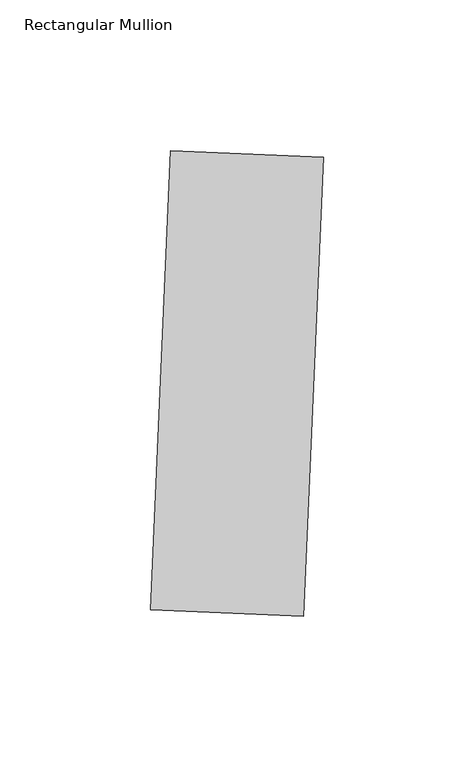
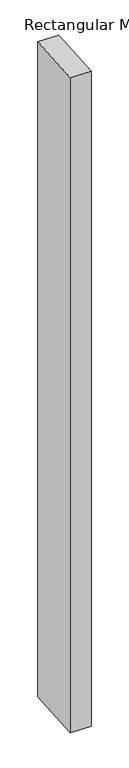
"""IFC4 building model written with IfcOpenShell, lengths in millimetres: member geometry, Rectangular Mullion."""

import ifcopenshell
import ifcopenshell.guid

model = None  # the IFC model being written
_history = None  # IfcOwnerHistory: only IFC2X3 demands one
_inside = {}  # id of a spatial element -> (the spatial element, [elements in it])
_under = {}  # id of a project, library or spatial element -> (it, [spatial elements below it])
_declared = {}  # id of a project -> (the project, [libraries it declares])
_typed = {}  # id of a type object -> (the type object, [elements of that type])
_made_of = {}  # id of a material, layer set ... -> (it, [elements and type objects made of it])


def new_model(schema):
    """Start an empty IFC model of exactly this schema.

    Asked for "IFC4X3", IfcOpenShell would pick the latest addendum, in which some entities
    have other attributes; the version numbers below select the first issue.
    IFC2X3 requires an IfcOwnerHistory on every rooted entity: one is made here for all.
    """
    global model, _history
    if schema == "IFC4X3":
        model = ifcopenshell.file(schema_version=(4, 3, 0, 0))
    else:
        model = ifcopenshell.file(schema=schema)
    _inside.clear()
    _under.clear()
    _declared.clear()
    _typed.clear()
    _made_of.clear()
    _history = None
    if model.schema == "IFC2X3":
        org = make("IfcOrganization", Name="unknown")
        user = make(
            "IfcPersonAndOrganization",
            ThePerson=make("IfcPerson", FamilyName="unknown"),
            TheOrganization=org,
        )
        app = make(
            "IfcApplication",
            ApplicationDeveloper=org,
            Version="unknown",
            ApplicationFullName="unknown",
            ApplicationIdentifier="unknown",
        )
        _history = make(
            "IfcOwnerHistory",
            OwningUser=user,
            OwningApplication=app,
            ChangeAction="ADDED",
            CreationDate=0,
        )
    return model


def make(cls, **values):
    """One entity of the class cls with the attributes given. An attribute that is None is left unset."""
    return model.create_entity(
        cls, **{name: value for name, value in values.items() if value is not None}
    )


def rooted(cls, **values):
    """An entity with a GlobalId (a new one), such as an element, a storey or a relation."""
    return make(cls, GlobalId=ifcopenshell.guid.new(), OwnerHistory=_history, **values)


def si_unit(unit_type, name, prefix=None):
    """IfcSIUnit, for example si_unit("LENGTHUNIT", "METRE", prefix="MILLI")."""
    return make("IfcSIUnit", UnitType=unit_type, Prefix=prefix, Name=name)


def assignment(units):
    """IfcUnitAssignment: the units of a project."""
    return None if units is None else make("IfcUnitAssignment", Units=units)


def point(xyz):
    """IfcCartesianPoint."""
    return None if xyz is None else make("IfcCartesianPoint", Coordinates=xyz)


def direction(xyz):
    """IfcDirection."""
    return None if xyz is None else make("IfcDirection", DirectionRatios=xyz)


def frame(location, z_axis=None, x_axis=None):
    """IfcAxis2Placement3D, a coordinate frame: its origin and axes. An axis left out is left unset."""
    return make(
        "IfcAxis2Placement3D",
        Location=point(location),
        Axis=direction(z_axis),
        RefDirection=direction(x_axis),
    )


def origin():
    """The frame at (0, 0, 0) with its axes left unset."""
    return frame((0.0, 0.0, 0.0))


def place(relative_to, where):
    """IfcLocalPlacement: puts the frame where relative to a parent placement (None: the world)."""
    return make(
        "IfcLocalPlacement", PlacementRelTo=relative_to, RelativePlacement=where
    )


def context(
    kind, dimensions, precision=None, world=None, true_north=None, identifier=None
):
    """IfcGeometricRepresentationContext, for example the 3D "Model" context."""
    return make(
        "IfcGeometricRepresentationContext",
        ContextIdentifier=identifier,
        ContextType=kind,
        CoordinateSpaceDimension=dimensions,
        Precision=precision,
        WorldCoordinateSystem=world,
        TrueNorth=true_north,
    )


def project(units=None, contexts=None):
    """IfcProject with its units and contexts."""
    return rooted(
        "IfcProject",
        Name="project",
        RepresentationContexts=contexts,
        UnitsInContext=assignment(units),
    )


def spatial(cls, under=None, at=None, **own):
    """A site, building, storey or space (cls), placed at a placement, below another one or the project."""
    s = rooted(cls, ObjectPlacement=at, **own)
    if under is not None:
        _under.setdefault(under.id(), (under, []))[1].append(s)
    return s


def polyline(points):
    """IfcPolyline through the points."""
    return make("IfcPolyline", Points=[point(p) for p in points])


def outline(outer, holes=None, kind="AREA"):
    """IfcArbitraryClosedProfileDef: a profile drawn as a closed curve; with holes, ...WithVoids."""
    if holes is None:
        return make("IfcArbitraryClosedProfileDef", ProfileType=kind, OuterCurve=outer)
    return make(
        "IfcArbitraryProfileDefWithVoids",
        ProfileType=kind,
        OuterCurve=outer,
        InnerCurves=holes,
    )


def extrude(swept, where, along, depth):
    """IfcExtrudedAreaSolid: the profile swept, set in the frame where, extruded along a direction by depth."""
    return make(
        "IfcExtrudedAreaSolid",
        SweptArea=swept,
        Position=where,
        ExtrudedDirection=direction(along),
        Depth=depth,
    )


def shape(context_of_items, identifier, shape_type, items):
    """IfcShapeRepresentation: the items that make up one representation, for example the "Body"."""
    return make(
        "IfcShapeRepresentation",
        ContextOfItems=context_of_items,
        RepresentationIdentifier=identifier,
        RepresentationType=shape_type,
        Items=items,
    )


def source(mapping_origin, context_of_items, identifier, shape_type, items):
    """IfcRepresentationMap: a shape defined once, which mapped items show again and again."""
    return make(
        "IfcRepresentationMap",
        MappingOrigin=mapping_origin,
        MappedRepresentation=shape(context_of_items, identifier, shape_type, items),
    )


def transform(
    local_origin,
    x_axis=None,
    y_axis=None,
    z_axis=None,
    scale=None,
    scale2=None,
    scale3=None,
    uniform=True,
):
    """IfcCartesianTransformationOperator3D, or its non-uniform kind. x_axis, y_axis, z_axis: its Axis1, 2, 3."""
    if uniform:
        return make(
            "IfcCartesianTransformationOperator3D",
            Axis1=direction(x_axis),
            Axis2=direction(y_axis),
            LocalOrigin=point(local_origin),
            Scale=scale,
            Axis3=direction(z_axis),
        )
    return make(
        "IfcCartesianTransformationOperator3DnonUniform",
        Axis1=direction(x_axis),
        Axis2=direction(y_axis),
        LocalOrigin=point(local_origin),
        Scale=scale,
        Axis3=direction(z_axis),
        Scale2=scale2,
        Scale3=scale3,
    )


def mapped(mapping_source, mapping_target):
    """IfcMappedItem: shows the shape of a source again, moved by a transform."""
    return make(
        "IfcMappedItem", MappingSource=mapping_source, MappingTarget=mapping_target
    )


def made_of(thing, what):
    """Note that an element or type object is made of a material, layer set ...; save() writes the relation."""
    if what is not None:
        _made_of.setdefault(what.id(), (what, []))[1].append(thing)
    return thing


def element(
    cls,
    number,
    at=None,
    inside=None,
    cuts=None,
    type_object=None,
    material=None,
    context=None,
    identifier="Body",
    shape_type=None,
    held_by="IfcProductDefinitionShape",
    body=None,
    shapes=None,
    **own,
):
    """One element of the class cls, such as IfcWall. Its Tag is "e" and its number.

    at: its placement. inside: the storey or other place that contains it. cuts: it is an
    opening in that element (IfcRelVoidsElement). A single representation is given by context,
    identifier, shape_type and body (its items); several are given by shapes. held_by: the class
    of the entity that holds the representations. save() writes the other relations.
    """
    e = rooted(cls, Tag="e%d" % number, ObjectPlacement=at, **own)
    if body is not None:
        shapes = [shape(context, identifier, shape_type, body)]
    if shapes is not None:
        e.Representation = make(held_by, Representations=shapes)
    if inside is not None:
        _inside.setdefault(inside.id(), (inside, []))[1].append(e)
    if cuts is not None:
        rooted(
            "IfcRelVoidsElement", RelatingBuildingElement=cuts, RelatedOpeningElement=e
        )
    if type_object is not None:
        _typed.setdefault(type_object.id(), (type_object, []))[1].append(e)
    return made_of(e, material)


def aggregate(whole, parts):
    """IfcRelAggregates: a whole, such as a stair, and the parts it consists of."""
    return rooted("IfcRelAggregates", RelatingObject=whole, RelatedObjects=parts)


def save(model, path):
    """Write the relations noted so far, then the file.

    IfcRelAggregates (storeys below a building ...), IfcRelContainedInSpatialStructure (elements
    in a storey), IfcRelDefinesByType, IfcRelAssociatesMaterial and IfcRelDeclares: one each for
    every whole, place, type object, material and project.
    """
    for whole, parts in _under.values():
        aggregate(whole, parts)
    for where, things in _inside.values():
        rooted(
            "IfcRelContainedInSpatialStructure",
            RelatedElements=things,
            RelatingStructure=where,
        )
    for kind, things in _typed.values():
        rooted("IfcRelDefinesByType", RelatedObjects=things, RelatingType=kind)
    for what, things in _made_of.values():
        rooted("IfcRelAssociatesMaterial", RelatedObjects=things, RelatingMaterial=what)
    for by, libraries in _declared.values():
        rooted("IfcRelDeclares", RelatingContext=by, RelatedDefinitions=libraries)
    model.write(path)


def rectangular_mullion_62472eab(model_context):
    return source(origin(), model_context, "Body", "SweptSolid", [
        extrude(outline(polyline([(19.9746542, -115.2900785), (-30.7769955, -113.0742136), (-24.1294008, 39.1807354), (26.6222488, 36.9648705), (19.9746542, -115.2900785)])), frame((0.0, 0.0, -1720.85), z_axis=(0.0, 0.0, 1.0), x_axis=(1.0, 0.0, 0.0)), (0.0, 0.0, 1.0), 1720.85),
    ])


if __name__ == "__main__":
    model = new_model("IFC4")
    model_context = context("Model", 3, world=origin())
    ifc_project = project(units=[si_unit("LENGTHUNIT", "METRE", prefix="MILLI")], contexts=[model_context])
    site = spatial("IfcSite", under=ifc_project)
    building = spatial("IfcBuilding", under=site)
    placement = place(None, origin())
    rectangular_mullion_shape = rectangular_mullion_62472eab(model_context)
    element("IfcMember", 1, ObjectType="Rectangular Mullion", at=placement, inside=building, context=model_context, shape_type="MappedRepresentation", body=[
        mapped(rectangular_mullion_shape, transform((0.0, 0.0, 0.0), x_axis=(1.0, 0.0, 0.0), y_axis=(0.0, 1.0, 0.0), z_axis=(0.0, 0.0, 1.0))),
    ])
    save(model, "model.ifc")
